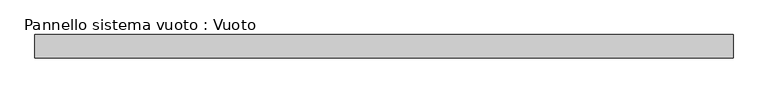
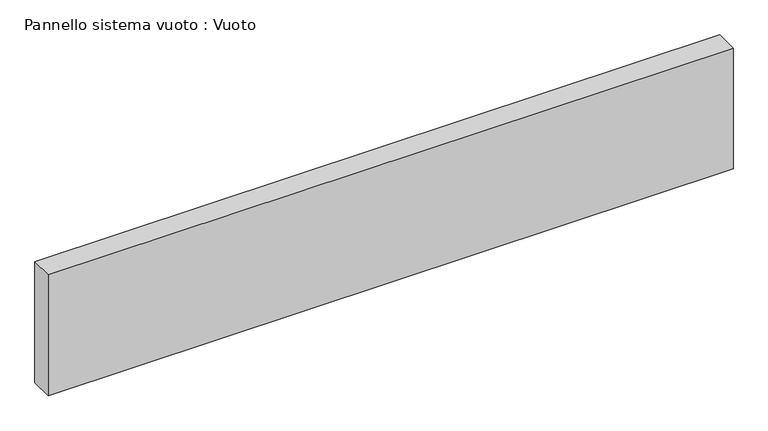
"""IFC4 building model written with IfcOpenShell, lengths in millimetres: plate geometry, Pannello sistema vuoto : Vuoto."""

from ifc_helpers import new_model, si_unit, origin, origin_with_axes, place, context, project, spatial, polyline, outline, extrude, source, transform, mapped, element, save


def pannello_sistema_vuoto_vuoto_3d0bfc0d(model_context):
    return source(origin(), model_context, "Body", "SweptSolid", [
        extrude(outline(polyline([(1500.0, -50.0), (-1500.0, -50.0), (-1500.0, 50.0), (1500.0, 50.0), (1500.0, -50.0)])), origin_with_axes(), (0.0, 0.0, 1.0), 559.75),
    ])


if __name__ == "__main__":
    model = new_model("IFC4")
    model_context = context("Model", 3, world=origin())
    ifc_project = project(units=[si_unit("LENGTHUNIT", "METRE", prefix="MILLI")], contexts=[model_context])
    site = spatial("IfcSite", under=ifc_project)
    building = spatial("IfcBuilding", under=site)
    placement = place(None, origin())
    pannello_sistema_vuoto_vuoto_shape = pannello_sistema_vuoto_vuoto_3d0bfc0d(model_context)
    element("IfcPlate", 1, ObjectType="Pannello sistema vuoto : Vuoto", at=placement, inside=building, context=model_context, shape_type="MappedRepresentation", body=[
        mapped(pannello_sistema_vuoto_vuoto_shape, transform((0.0, 0.0, 0.0), x_axis=(1.0, 0.0, 0.0), y_axis=(0.0, 1.0, 0.0), z_axis=(0.0, 0.0, 1.0))),
    ])
    save(model, "model.ifc")
